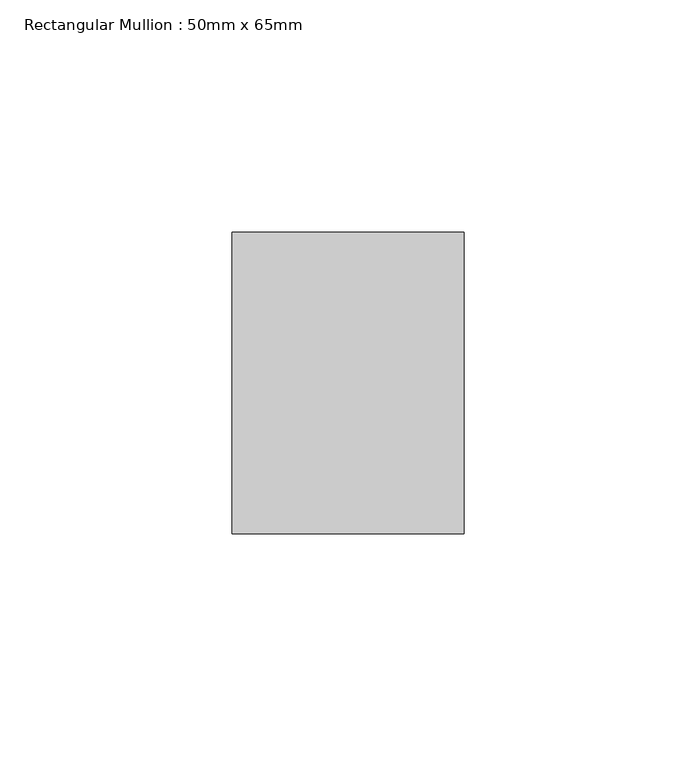
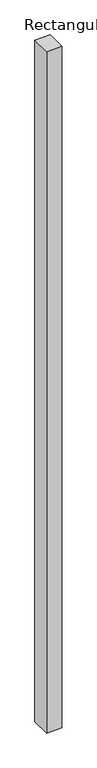
"""IFC4 building model written with IfcOpenShell, lengths in millimetres: member geometry, Rectangular Mullion : 50mm x 65mm."""

from ifc_helpers import new_model, si_unit, frame, origin, place, context, project, spatial, polyline, outline, extrude, source, transform, mapped, element, save


def rectangular_mullion_50mm_x_65mm_d240086c(model_context):
    return source(origin(), model_context, "Body", "SweptSolid", [
        extrude(outline(polyline([(25.0, 32.5), (25.0, -32.5), (-25.0, -32.5), (-25.0, 32.5), (25.0, 32.5)])), frame((0.0, 0.0, -2332.1778458), z_axis=(0.0, 0.0, 1.0), x_axis=(1.0, 0.0, 0.0)), (0.0, 0.0, 1.0), 2332.1778458),
    ])


if __name__ == "__main__":
    model = new_model("IFC4")
    model_context = context("Model", 3, world=origin())
    ifc_project = project(units=[si_unit("LENGTHUNIT", "METRE", prefix="MILLI")], contexts=[model_context])
    site = spatial("IfcSite", under=ifc_project)
    building = spatial("IfcBuilding", under=site)
    placement = place(None, origin())
    rectangular_mullion_50mm_x_65mm_shape = rectangular_mullion_50mm_x_65mm_d240086c(model_context)
    element("IfcMember", 1, ObjectType="Rectangular Mullion : 50mm x 65mm", at=placement, inside=building, context=model_context, shape_type="MappedRepresentation", body=[
        mapped(rectangular_mullion_50mm_x_65mm_shape, transform((0.0, 0.0, 0.0), x_axis=(1.0, 0.0, 0.0), y_axis=(0.0, 1.0, 0.0), z_axis=(0.0, 0.0, 1.0))),
    ])
    save(model, "model.ifc")
